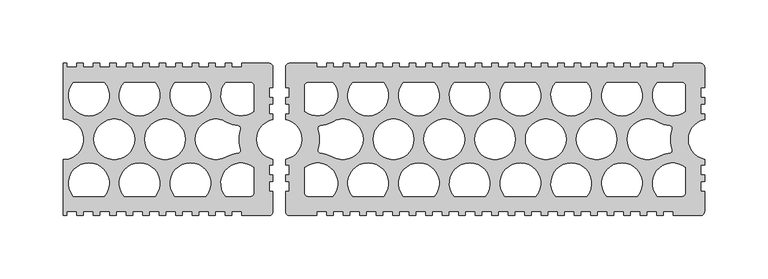
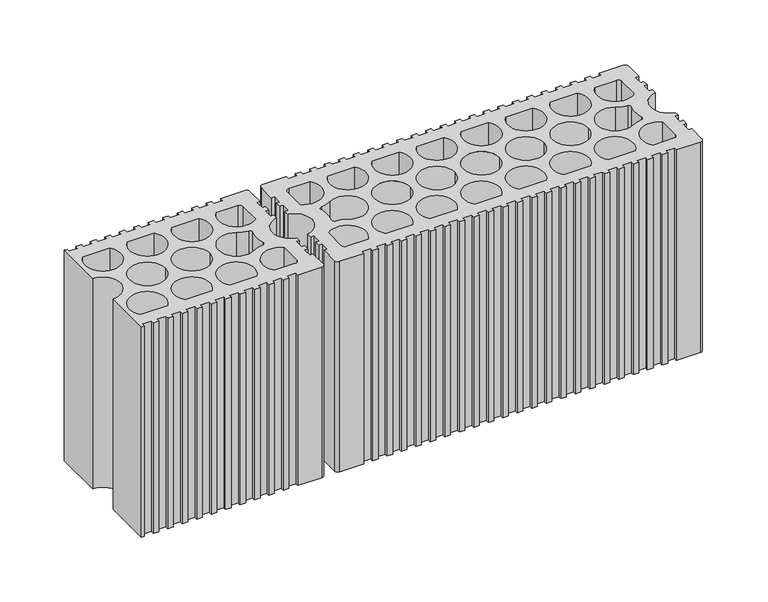
"""IFC4 building model written with IfcOpenShell, lengths in millimetres: plate geometry."""

from ifc_helpers import new_model, si_unit, point, frame_2d, origin, origin_with_axes, place, context, project, spatial, polyline, circle_curve, trimmed, segment, composite_curve, outline, extrude, source, transform, mapped, element, save


def plate_2e46a510(model_context):
    return source(origin(), model_context, "Body", "SweptSolid", [
        extrude(outline(composite_curve([segment(polyline([(-92.9997277, -59.9998788), (-114.4998028, -59.9998788), (-114.4998028, -56.9998848), (-122.499773, -56.9998848), (-122.499773, -59.9998788), (-127.499788, -59.9998788), (-127.499788, -56.9998848), (-135.4997582, -56.9998848), (-135.4997582, -59.9998788), (-140.4997434, -59.9998788), (-140.4997434, -56.9998848), (-148.4997434, -56.9998848), (-148.4997434, -59.9998788), (-153.4997285, -59.9998788), (-153.4997285, -56.9998848), (-161.4996988, -56.9998848), (-161.4996988, -59.9998788), (-166.4996839, -59.9998788), (-166.4996839, -56.9998848), (-174.499684, -56.9998848), (-174.499684, -59.9998788), (-179.4996691, -59.9998788), (-179.4996691, -56.9998848), (-187.4996542, -56.9998848), (-187.4996542, -59.9998788), (-192.4996394, -59.9998788), (-192.4996394, -56.9998848), (-200.4996245, -56.9998848), (-200.4996245, -59.9998788), (-205.4996246, -59.9998788), (-205.4996246, -56.9998848), (-213.4996097, -56.9998848), (-213.4996097, -59.9998788), (-218.4995948, -59.9998788), (-218.4995948, -56.9998848), (-226.49958, -56.9998848), (-226.49958, -59.9998788), (-231.4995651, -59.9998788), (-231.4995651, -56.9998848), (-239.4995503, -56.9998848), (-239.4995503, -59.9998788), (-244.4995354, -59.9998788), (-244.4995354, -56.9998848), (-252.4995205, -56.9998848), (-252.4995205, -59.9998788), (-254.9995197, -59.9998788), (-254.9995197, -15.9999677)]), True, "CONTINUOUS"), segment(trimmed(circle_curve(frame_2d((-254.9995197, 0.0)), 15.9999677), [point((-254.9995197, -15.9999677))], [point((-254.9995197, 15.9999677))], True, "CARTESIAN"), True, "CONTINUOUS"), segment(polyline([(-254.9995197, 15.9999677), (-254.9995197, 59.9998815), (-252.4995205, 59.9998815), (-252.4995205, 56.9998875), (-244.4995354, 56.9998875), (-244.4995354, 59.9998815), (-239.4995503, 59.9998815), (-239.4995503, 56.9998875), (-231.4995651, 56.9998875), (-231.4995651, 59.9998815), (-226.49958, 59.9998815), (-226.49958, 56.9998875), (-218.4995948, 56.9998875), (-218.4995948, 59.9998815), (-213.4996097, 59.9998815), (-213.4996097, 56.9998875), (-205.4996246, 56.9998875), (-205.4996246, 59.9998815), (-200.4996245, 59.9998815), (-200.4996245, 56.9998875), (-192.4996394, 56.9998875), (-192.4996394, 59.9998815), (-187.4996542, 59.9998815), (-187.4996542, 56.9998875), (-179.4996691, 56.9998875), (-179.4996691, 59.9998815), (-174.499684, 59.9998815), (-174.499684, 56.9998875), (-166.4996839, 56.9998875), (-166.4996839, 59.9998815), (-161.4996988, 59.9998815), (-161.4996988, 56.9998875), (-153.4997285, 56.9998875), (-153.4997285, 59.9998815), (-148.4997434, 59.9998815), (-148.4997434, 56.9998875), (-140.4997434, 56.9998875), (-140.4997434, 59.9998815), (-135.4997582, 59.9998815), (-135.4997582, 56.9998875), (-127.499788, 56.9998875), (-127.499788, 59.9998815), (-122.499773, 59.9998815), (-122.499773, 56.9998875), (-114.4998028, 56.9998875), (-114.4998028, 59.9998761), (-92.9998548, 59.9998761)]), True, "CONTINUOUS"), segment(trimmed(circle_curve(frame_2d((-92.9378077, 57.0619088)), 2.9386225), [point((-92.9998548, 59.9998761))], [point((-89.9998399, 56.9998835))], False, "CARTESIAN"), True, "CONTINUOUS"), segment(polyline([(-89.9998399, 56.9998835), (-89.9998399, 40.9999207), (-92.9998548, 40.9999207), (-92.9998548, 32.9999355), (-89.9998399, 32.9999355), (-89.9998399, 27.999943), (-92.9998548, 27.999943), (-92.9998548, 19.9999578), (-89.9998399, 19.9999578), (-89.9998399, 15.7162071)]), True, "CONTINUOUS"), segment(trimmed(circle_curve(frame_2d((-86.9998574, 1.4e-06)), 15.9999693), [point((-89.9998399, 15.7162071))], [point((-89.9998399, -15.7162044))], True, "CARTESIAN"), True, "CONTINUOUS"), segment(polyline([(-89.9998399, -15.7162044), (-89.9998399, -19.9999605), (-92.9998548, -19.9999605), (-92.9998548, -27.9999419), (-89.9998399, -27.9999419), (-89.9998399, -32.9999326), (-92.9998548, -32.9999326), (-92.9998548, -40.9999178), (-89.9998399, -40.9999178), (-89.9998399, -56.9998835)]), True, "CONTINUOUS"), segment(trimmed(circle_curve(frame_2d((-92.9378077, -57.0619088)), 2.9386225), [point((-89.9998399, -56.9998835))], [point((-92.9997277, -59.9998788))], False, "CARTESIAN"), True, "CONTINUOUS")], self_intersect=False), holes=[composite_curve([segment(trimmed(circle_curve(frame_2d((-234.9995568, -34.6228654)), 16.0116774), [point((-222.8056742, -44.9999094))], [point((-247.1934394, -44.9999094))], True, "CARTESIAN"), True, "CONTINUOUS"), segment(polyline([(-247.1934394, -44.9999094), (-222.8056742, -44.9999094)]), True, "CONTINUOUS")], self_intersect=False), composite_curve([segment(trimmed(circle_curve(frame_2d((-194.9996409, -34.6228654)), 16.0116774), [point((-182.8057583, -44.9999094))], [point((-207.1935235, -44.9999094))], True, "CARTESIAN"), True, "CONTINUOUS"), segment(polyline([(-207.1935235, -44.9999094), (-182.8057583, -44.9999094)]), True, "CONTINUOUS")], self_intersect=False), composite_curve([segment(trimmed(circle_curve(frame_2d((-154.999725, -34.6228654)), 16.0116774), [point((-142.8058424, -44.9999094))], [point((-167.1936076, -44.9999094))], True, "CARTESIAN"), True, "CONTINUOUS"), segment(polyline([(-167.1936076, -44.9999094), (-142.8058424, -44.9999094)]), True, "CONTINUOUS")], self_intersect=False), composite_curve([segment(trimmed(circle_curve(frame_2d((-214.9996005, 0.0)), 15.9999677), [point((-230.9995682, 0.0))], [point((-198.9996328, 0.0))], True, "CARTESIAN"), True, "CONTINUOUS"), segment(trimmed(circle_curve(frame_2d((-214.9996005, 0.0)), 15.9999677), [point((-198.9996328, 0.0))], [point((-230.9995682, 0.0))], True, "CARTESIAN"), True, "CONTINUOUS")], self_intersect=False), composite_curve([segment(trimmed(circle_curve(frame_2d((-174.9996813, 0.0)), 15.9999677), [point((-190.999649, 0.0))], [point((-158.9997136, 0.0))], True, "CARTESIAN"), True, "CONTINUOUS"), segment(trimmed(circle_curve(frame_2d((-174.9996813, 0.0)), 15.9999677), [point((-158.9997136, 0.0))], [point((-190.999649, 0.0))], True, "CARTESIAN"), True, "CONTINUOUS")], self_intersect=False), composite_curve([segment(trimmed(circle_curve(frame_2d((-154.999725, 34.6228681)), 16.0116774), [point((-167.1936076, 44.9999121))], [point((-142.8058424, 44.9999121))], True, "CARTESIAN"), True, "CONTINUOUS"), segment(polyline([(-142.8058424, 44.9999121), (-167.1936076, 44.9999121)]), True, "CONTINUOUS")], self_intersect=False), composite_curve([segment(polyline([(-182.8057583, 44.9999121), (-207.1935235, 44.9999121)]), True, "CONTINUOUS"), segment(trimmed(circle_curve(frame_2d((-194.9996409, 34.6228681)), 16.0116774), [point((-207.1935235, 44.9999121))], [point((-182.8057583, 44.9999121))], True, "CARTESIAN"), True, "CONTINUOUS")], self_intersect=False), composite_curve([segment(trimmed(circle_curve(frame_2d((-234.9995568, 34.6228681)), 16.0116774), [point((-247.1934394, 44.9999121))], [point((-222.8056742, 44.9999121))], True, "CARTESIAN"), True, "CONTINUOUS"), segment(polyline([(-222.8056742, 44.9999121), (-247.1934394, 44.9999121)]), True, "CONTINUOUS")], self_intersect=False), composite_curve([segment(trimmed(circle_curve(frame_2d((-86.9998591, 0.0)), 29.9999394), [point((-115.8460949, -8.2396021))], [point((-115.8460949, 8.2396021))], False, "CARTESIAN"), True, "CONTINUOUS"), segment(trimmed(circle_curve(frame_2d((-117.7691773, 8.7889089)), 1.999996), [point((-115.8460949, 8.2396021))], [point((-117.5561484, 10.7775271))], True, "CARTESIAN"), True, "CONTINUOUS"), segment(trimmed(circle_curve(frame_2d((-114.9998025, 34.6409462)), 23.9999515), [point((-117.5561484, 10.7775271))], [point((-126.9997783, 13.8563785))], False, "CARTESIAN"), True, "CONTINUOUS"), segment(trimmed(circle_curve(frame_2d((-134.9997621, 0.0)), 15.9999677), [point((-126.9997783, 13.8563785))], [point((-126.9997783, -13.8563785))], True, "CARTESIAN"), True, "CONTINUOUS"), segment(trimmed(circle_curve(frame_2d((-114.9998025, -34.6409462)), 23.9999515), [point((-126.9997783, -13.8563785))], [point((-117.5561484, -10.7775271))], False, "CARTESIAN"), True, "CONTINUOUS"), segment(trimmed(circle_curve(frame_2d((-117.7691773, -8.7889089)), 1.999996), [point((-117.5561484, -10.7775271))], [point((-115.8460949, -8.2396021))], True, "CARTESIAN"), True, "CONTINUOUS")], self_intersect=False), composite_curve([segment(trimmed(circle_curve(frame_2d((-115.0005563, 34.6402158)), 15.9998667), [point((-127.1936889, 44.9999094))], [point((-104.9998251, 22.150976))], True, "CARTESIAN"), True, "CONTINUOUS"), segment(polyline([(-104.9998251, 22.150976), (-104.9998251, 41.999919)]), True, "CONTINUOUS"), segment(trimmed(circle_curve(frame_2d((-107.9998155, 41.999919)), 2.9999904), [point((-104.9998251, 41.999919))], [point((-107.9998155, 44.9999094))], True, "CARTESIAN"), True, "CONTINUOUS"), segment(polyline([(-107.9998155, 44.9999094), (-127.1936889, 44.9999094)]), True, "CONTINUOUS")], self_intersect=False), composite_curve([segment(trimmed(circle_curve(frame_2d((-115.0005563, -34.6402158)), 15.9998667), [point((-104.9998251, -22.150976))], [point((-127.1936889, -44.9999094))], True, "CARTESIAN"), True, "CONTINUOUS"), segment(polyline([(-127.1936889, -44.9999094), (-107.9998155, -44.9999094)]), True, "CONTINUOUS"), segment(trimmed(circle_curve(frame_2d((-107.9998155, -41.999919)), 2.9999904), [point((-107.9998155, -44.9999094))], [point((-104.9998251, -41.999919))], True, "CARTESIAN"), True, "CONTINUOUS"), segment(polyline([(-104.9998251, -41.999919), (-104.9998251, -22.150976)]), True, "CONTINUOUS")], self_intersect=False)]), origin_with_axes(), (0.0, 0.0, 1.0), 200.0),
        extrude(outline(composite_curve([segment(trimmed(circle_curve(frame_2d((-77.0618721, -57.0619088)), 2.9386225), [point((-76.9999521, -59.9998788))], [point((-79.9998399, -56.9998835))], False, "CARTESIAN"), True, "CONTINUOUS"), segment(polyline([(-79.9998399, -56.9998835), (-79.9998399, -40.9999178), (-76.999825, -40.9999178), (-76.999825, -32.9999326), (-79.9998399, -32.9999326), (-79.9998399, -28.0000895), (-76.999825, -28.0000895), (-76.999825, -19.9999605), (-79.9998399, -19.9999605), (-79.9998399, -15.7162044)]), True, "CONTINUOUS"), segment(trimmed(circle_curve(frame_2d((-82.9998224, 1.4e-06)), 15.9999693), [point((-79.9998399, -15.7162044))], [point((-79.9998399, 15.7162071))], True, "CARTESIAN"), True, "CONTINUOUS"), segment(polyline([(-79.9998399, 15.7162071), (-79.9998399, 19.9999578), (-76.999825, 19.9999578), (-76.999825, 27.999943), (-79.9998399, 27.999943), (-79.9998399, 32.9999355), (-76.999825, 32.9999355), (-76.999825, 40.9999207), (-79.9998399, 40.9999207), (-79.9998399, 56.9998835)]), True, "CONTINUOUS"), segment(trimmed(circle_curve(frame_2d((-77.0618721, 57.0619088)), 2.9386225), [point((-79.9998399, 56.9998835))], [point((-76.999825, 59.9998761))], False, "CARTESIAN"), True, "CONTINUOUS"), segment(polyline([(-76.999825, 59.9998761), (-55.4998769, 59.9998761), (-55.4998769, 56.9998875), (-47.4998936, 56.9998875), (-47.4998936, 59.9998815), (-42.499901, 59.9998815), (-42.499901, 56.9998875), (-34.4999196, 56.9998875), (-34.4999196, 59.9998815), (-29.499927, 59.9998815), (-29.499927, 56.9998875), (-21.4999456, 56.9998875), (-21.4999456, 59.9998815), (-16.499953, 59.9998815), (-16.499953, 56.9998875), (-8.4999679, 56.9998875), (-8.4999679, 59.9998815), (-3.4999828, 59.9998815), (-3.4999828, 56.9998875), (4.5000024, 56.9998875), (4.5000024, 59.9998815), (9.499995, 59.9998815), (9.499995, 56.9998875), (17.4999727, 56.9998875), (17.4999727, 59.9998815), (22.4999653, 59.9998815), (22.4999653, 56.9998875), (30.4999504, 56.9998875), (30.4999504, 59.9998815), (35.499943, 59.9998815), (35.499943, 56.9998875), (43.4999207, 56.9998875), (43.4999207, 59.9998815), (48.4999133, 59.9998815), (48.4999133, 56.9998875), (56.4998984, 56.9998875), (56.4998984, 59.9998815), (61.4998836, 59.9998815), (61.4998836, 56.9998875), (69.4998687, 56.9998875), (69.4998687, 59.9998815), (74.4998538, 59.9998815), (74.4998538, 56.9998875), (82.499839, 56.9998875), (82.499839, 59.9998815), (87.499839, 59.9998815), (87.499839, 56.9998875), (95.4998242, 56.9998875), (95.4998242, 59.9998815), (100.4998093, 59.9998815), (100.4998093, 56.9998875), (108.4997944, 56.9998875), (108.4997944, 59.9998815), (113.4997796, 59.9998815), (113.4997796, 56.9998875), (121.4997647, 56.9998875), (121.4997647, 59.9998815), (126.4997499, 59.9998815), (126.4997499, 56.9998875), (134.499735, 56.9998875), (134.499735, 59.9998815), (139.499735, 59.9998815), (139.499735, 56.9998875), (147.4997202, 56.9998875), (147.4997202, 59.9998815), (152.4997053, 59.9998815), (152.4997053, 56.9998875), (160.4996905, 56.9998875), (160.4996905, 59.9998815), (165.4996756, 59.9998815), (165.4996756, 56.9998875), (173.4996756, 56.9998875), (173.4996756, 59.9998815), (178.4996608, 59.9998815), (178.4996608, 56.9998875), (186.499631, 56.9998875), (186.499631, 59.9998815), (191.4996162, 59.9998815), (191.4996162, 56.9998875), (199.4996162, 56.9998875), (199.4996162, 59.9998815), (204.4996013, 59.9998815), (204.4996013, 56.9998875), (212.4995716, 56.9998875), (212.4995716, 59.9998815), (217.4995865, 59.9998815), (217.4995865, 56.9998875), (225.4995568, 56.9998875), (225.4995568, 59.9998761), (246.9995048, 59.9998761)]), True, "CONTINUOUS"), segment(trimmed(circle_curve(frame_2d((247.0615519, 57.0619088)), 2.9386225), [point((246.9995048, 59.9998761))], [point((249.9995197, 56.9998835))], False, "CARTESIAN"), True, "CONTINUOUS"), segment(polyline([(249.9995197, 56.9998835), (249.9995197, 40.9999207), (246.9995048, 40.9999207), (246.9995048, 32.9999355), (249.9995197, 32.9999355), (249.9995197, 27.999943), (246.9995048, 27.999943), (246.9995048, 19.9999578), (249.9995197, 19.9999578), (249.9995197, 15.7162071)]), True, "CONTINUOUS"), segment(trimmed(circle_curve(frame_2d((252.9995021, 1.4e-06)), 15.9999693), [point((249.9995197, 15.7162071))], [point((249.9995197, -15.7162044))], True, "CARTESIAN"), True, "CONTINUOUS"), segment(polyline([(249.9995197, -15.7162044), (249.9995197, -19.9999605), (246.9995048, -19.9999605), (246.9995048, -27.9999419), (249.9995197, -27.9999419), (249.9995197, -32.9999326), (246.9995048, -32.9999326), (246.9995048, -40.9999178), (249.9995197, -40.9999178), (249.9995197, -56.9998835)]), True, "CONTINUOUS"), segment(trimmed(circle_curve(frame_2d((247.0615519, -57.0619088)), 2.9386225), [point((249.9995197, -56.9998835))], [point((246.9996319, -59.9998788))], False, "CARTESIAN"), True, "CONTINUOUS"), segment(polyline([(246.9996319, -59.9998788), (225.4995568, -59.9998788), (225.4995568, -56.9998848), (217.4995865, -56.9998848), (217.4995865, -59.9998788), (212.4995716, -59.9998788), (212.4995716, -56.9998848), (204.4996013, -56.9998848), (204.4996013, -59.9998788), (199.4996162, -59.9998788), (199.4996162, -56.9998848), (191.4996162, -56.9998848), (191.4996162, -59.9998788), (186.499631, -59.9998788), (186.499631, -56.9998848), (178.4996608, -56.9998848), (178.4996608, -59.9998788), (173.4996756, -59.9998788), (173.4996756, -56.9998848), (165.4996756, -56.9998848), (165.4996756, -59.9998788), (160.4996905, -59.9998788), (160.4996905, -56.9998848), (152.4997053, -56.9998848), (152.4997053, -59.9998788), (147.4997202, -59.9998788), (147.4997202, -56.9998848), (139.499735, -56.9998848), (139.499735, -59.9998788), (134.499735, -59.9998788), (134.499735, -56.9998848), (126.4997499, -56.9998848), (126.4997499, -59.9998788), (121.4997647, -59.9998788), (121.4997647, -56.9998848), (113.4997796, -56.9998848), (113.4997796, -59.9998788), (108.4997944, -59.9998788), (108.4997944, -56.9998848), (100.4998093, -56.9998848), (100.4998093, -59.9998788), (95.4998242, -59.9998788), (95.4998242, -56.9998848), (87.499839, -56.9998848), (87.499839, -59.9998788), (82.499839, -59.9998788), (82.499839, -56.9998848), (74.4998538, -56.9998848), (74.4998538, -59.9998788), (69.4998687, -59.9998788), (69.4998687, -56.9998848), (61.4998836, -56.9998848), (61.4998836, -59.9998788), (56.4998984, -59.9998788), (56.4998984, -56.9998848), (48.4999133, -56.9998848), (48.4999133, -59.9998788), (43.4999207, -59.9998788), (43.4999207, -56.9998848), (35.499943, -56.9998848), (35.499943, -59.9998788), (30.4999504, -59.9998788), (30.4999504, -56.9998848), (22.4999653, -56.9998848), (22.4999653, -59.9998788), (17.4999727, -59.9998788), (17.4999727, -56.9998848), (9.499995, -56.9998848), (9.499995, -59.9998788), (4.5000024, -59.9998788), (4.5000024, -56.9998848), (-3.4999828, -56.9998848), (-3.4999828, -59.9998788), (-8.4999679, -59.9998788), (-8.4999679, -56.9998848), (-16.499953, -56.9998848), (-16.499953, -59.9998788), (-21.4999456, -59.9998788), (-21.4999456, -56.9998848), (-29.499927, -56.9998848), (-29.499927, -59.9998788), (-34.4999196, -59.9998788), (-34.4999196, -56.9998848), (-42.499901, -56.9998848), (-42.499901, -59.9998788), (-47.4998936, -59.9998788), (-47.4998936, -56.9998848), (-55.4998769, -56.9998848), (-55.4998769, -59.9998788), (-76.9999521, -59.9998788)]), True, "CONTINUOUS")], self_intersect=False), holes=[composite_curve([segment(trimmed(circle_curve(frame_2d((-52.2305025, -8.7889089)), 1.999996), [point((-54.1535849, -8.2396021))], [point((-52.4435313, -10.7775271))], True, "CARTESIAN"), True, "CONTINUOUS"), segment(trimmed(circle_curve(frame_2d((-54.9998773, -34.6409462)), 23.9999515), [point((-52.4435313, -10.7775271))], [point((-42.9999015, -13.8563785))], False, "CARTESIAN"), True, "CONTINUOUS"), segment(trimmed(circle_curve(frame_2d((-34.9999177, 0.0)), 15.9999677), [point((-42.9999015, -13.8563785))], [point((-42.9999015, 13.8563785))], True, "CARTESIAN"), True, "CONTINUOUS"), segment(trimmed(circle_curve(frame_2d((-54.9998773, 34.6409462)), 23.9999515), [point((-42.9999015, 13.8563785))], [point((-52.4435313, 10.7775271))], False, "CARTESIAN"), True, "CONTINUOUS"), segment(trimmed(circle_curve(frame_2d((-52.2305025, 8.7889089)), 1.999996), [point((-52.4435313, 10.7775271))], [point((-54.1535849, 8.2396021))], True, "CARTESIAN"), True, "CONTINUOUS"), segment(trimmed(circle_curve(frame_2d((-82.9998207, 0.0)), 29.9999394), [point((-54.1535849, 8.2396021))], [point((-54.1535849, -8.2396021))], False, "CARTESIAN"), True, "CONTINUOUS")], self_intersect=False), composite_curve([segment(polyline([(-42.8059908, 44.9999094), (-61.9998643, 44.9999094)]), True, "CONTINUOUS"), segment(trimmed(circle_curve(frame_2d((-61.9998643, 41.999919)), 2.9999904), [point((-61.9998643, 44.9999094))], [point((-64.9998547, 41.999919))], True, "CARTESIAN"), True, "CONTINUOUS"), segment(polyline([(-64.9998547, 41.999919), (-64.9998547, 22.150976)]), True, "CONTINUOUS"), segment(trimmed(circle_curve(frame_2d((-54.9991235, 34.6402158)), 15.9998667), [point((-64.9998547, 22.150976))], [point((-42.8059908, 44.9999094))], True, "CARTESIAN"), True, "CONTINUOUS")], self_intersect=False), composite_curve([segment(polyline([(-64.9998547, -22.150976), (-64.9998547, -41.999919)]), True, "CONTINUOUS"), segment(trimmed(circle_curve(frame_2d((-61.9998643, -41.999919)), 2.9999904), [point((-64.9998547, -41.999919))], [point((-61.9998643, -44.9999094))], True, "CARTESIAN"), True, "CONTINUOUS"), segment(polyline([(-61.9998643, -44.9999094), (-42.8059908, -44.9999094)]), True, "CONTINUOUS"), segment(trimmed(circle_curve(frame_2d((-54.9991235, -34.6402158)), 15.9998667), [point((-42.8059908, -44.9999094))], [point((-64.9998547, -22.150976))], True, "CARTESIAN"), True, "CONTINUOUS")], self_intersect=False), composite_curve([segment(trimmed(circle_curve(frame_2d((-14.9999449, -34.6228654)), 16.0116774), [point((-2.8060623, -44.9999094))], [point((-27.1938275, -44.9999094))], True, "CARTESIAN"), True, "CONTINUOUS"), segment(polyline([(-27.1938275, -44.9999094), (-2.8060623, -44.9999094)]), True, "CONTINUOUS")], self_intersect=False), composite_curve([segment(trimmed(circle_curve(frame_2d((24.999971, -34.6228654)), 16.0116774), [point((37.1938536, -44.9999094))], [point((12.8060884, -44.9999094))], True, "CARTESIAN"), True, "CONTINUOUS"), segment(polyline([(12.8060884, -44.9999094), (37.1938536, -44.9999094)]), True, "CONTINUOUS")], self_intersect=False), composite_curve([segment(trimmed(circle_curve(frame_2d((64.9998869, -34.6228654)), 16.0116774), [point((77.1937695, -44.9999094))], [point((52.8060043, -44.9999094))], True, "CARTESIAN"), True, "CONTINUOUS"), segment(polyline([(52.8060043, -44.9999094), (77.1937695, -44.9999094)]), True, "CONTINUOUS")], self_intersect=False), composite_curve([segment(trimmed(circle_curve(frame_2d((104.9998028, -34.6228654)), 16.0116774), [point((117.1936854, -44.9999094))], [point((92.8059202, -44.9999094))], True, "CARTESIAN"), True, "CONTINUOUS"), segment(polyline([(92.8059202, -44.9999094), (117.1936854, -44.9999094)]), True, "CONTINUOUS")], self_intersect=False), composite_curve([segment(trimmed(circle_curve(frame_2d((144.9997187, -34.6228654)), 16.0116774), [point((157.1936013, -44.9999094))], [point((132.8058361, -44.9999094))], True, "CARTESIAN"), True, "CONTINUOUS"), segment(polyline([(132.8058361, -44.9999094), (157.1936013, -44.9999094)]), True, "CONTINUOUS")], self_intersect=False), composite_curve([segment(trimmed(circle_curve(frame_2d((184.9996346, -34.6228654)), 16.0116774), [point((197.1935172, -44.9999094))], [point((172.805752, -44.9999094))], True, "CARTESIAN"), True, "CONTINUOUS"), segment(polyline([(172.805752, -44.9999094), (197.1935172, -44.9999094)]), True, "CONTINUOUS")], self_intersect=False), composite_curve([segment(trimmed(circle_curve(frame_2d((5.0000015, 0.0)), 15.9999677), [point((-10.9999662, 0.0))], [point((20.9999692, 0.0))], True, "CARTESIAN"), True, "CONTINUOUS"), segment(trimmed(circle_curve(frame_2d((5.0000015, 0.0)), 15.9999677), [point((20.9999692, 0.0))], [point((-10.9999662, 0.0))], True, "CARTESIAN"), True, "CONTINUOUS")], self_intersect=False), composite_curve([segment(trimmed(circle_curve(frame_2d((44.9999207, 0.0)), 15.9999677), [point((28.999953, 0.0))], [point((60.9998884, 0.0))], True, "CARTESIAN"), True, "CONTINUOUS"), segment(trimmed(circle_curve(frame_2d((44.9999207, 0.0)), 15.9999677), [point((60.9998884, 0.0))], [point((28.999953, 0.0))], True, "CARTESIAN"), True, "CONTINUOUS")], self_intersect=False), composite_curve([segment(trimmed(circle_curve(frame_2d((84.9998399, 0.0)), 15.9999677), [point((68.9998722, 0.0))], [point((100.9998076, 0.0))], True, "CARTESIAN"), True, "CONTINUOUS"), segment(trimmed(circle_curve(frame_2d((84.9998399, 0.0)), 15.9999677), [point((100.9998076, 0.0))], [point((68.9998722, 0.0))], True, "CARTESIAN"), True, "CONTINUOUS")], self_intersect=False), composite_curve([segment(trimmed(circle_curve(frame_2d((124.9997591, 0.0)), 15.9999677), [point((108.9997914, 0.0))], [point((140.9997268, 0.0))], True, "CARTESIAN"), True, "CONTINUOUS"), segment(trimmed(circle_curve(frame_2d((124.9997591, 0.0)), 15.9999677), [point((140.9997268, 0.0))], [point((108.9997914, 0.0))], True, "CARTESIAN"), True, "CONTINUOUS")], self_intersect=False), composite_curve([segment(trimmed(circle_curve(frame_2d((164.9996783, 0.0)), 15.9999677), [point((148.9997106, 0.0))], [point((180.999646, 0.0))], True, "CARTESIAN"), True, "CONTINUOUS"), segment(trimmed(circle_curve(frame_2d((164.9996783, 0.0)), 15.9999677), [point((180.999646, 0.0))], [point((148.9997106, 0.0))], True, "CARTESIAN"), True, "CONTINUOUS")], self_intersect=False), composite_curve([segment(trimmed(circle_curve(frame_2d((184.9996346, 34.6228681)), 16.0116774), [point((172.805752, 44.9999121))], [point((197.1935172, 44.9999121))], True, "CARTESIAN"), True, "CONTINUOUS"), segment(polyline([(197.1935172, 44.9999121), (172.805752, 44.9999121)]), True, "CONTINUOUS")], self_intersect=False), composite_curve([segment(polyline([(157.1936013, 44.9999121), (132.8058361, 44.9999121)]), True, "CONTINUOUS"), segment(trimmed(circle_curve(frame_2d((144.9997187, 34.6228681)), 16.0116774), [point((132.8058361, 44.9999121))], [point((157.1936013, 44.9999121))], True, "CARTESIAN"), True, "CONTINUOUS")], self_intersect=False), composite_curve([segment(trimmed(circle_curve(frame_2d((104.9998028, 34.6228681)), 16.0116774), [point((92.8059202, 44.9999121))], [point((117.1936854, 44.9999121))], True, "CARTESIAN"), True, "CONTINUOUS"), segment(polyline([(117.1936854, 44.9999121), (92.8059202, 44.9999121)]), True, "CONTINUOUS")], self_intersect=False), composite_curve([segment(polyline([(77.1937695, 44.9999121), (52.8060043, 44.9999121)]), True, "CONTINUOUS"), segment(trimmed(circle_curve(frame_2d((64.9998869, 34.6228681)), 16.0116774), [point((52.8060043, 44.9999121))], [point((77.1937695, 44.9999121))], True, "CARTESIAN"), True, "CONTINUOUS")], self_intersect=False), composite_curve([segment(polyline([(37.1938536, 44.9999121), (12.8060884, 44.9999121)]), True, "CONTINUOUS"), segment(trimmed(circle_curve(frame_2d((24.999971, 34.6228681)), 16.0116774), [point((12.8060884, 44.9999121))], [point((37.1938536, 44.9999121))], True, "CARTESIAN"), True, "CONTINUOUS")], self_intersect=False), composite_curve([segment(polyline([(-2.8060623, 44.9999121), (-27.1938275, 44.9999121)]), True, "CONTINUOUS"), segment(trimmed(circle_curve(frame_2d((-14.9999449, 34.6228681)), 16.0116774), [point((-27.1938275, 44.9999121))], [point((-2.8060623, 44.9999121))], True, "CARTESIAN"), True, "CONTINUOUS")], self_intersect=False), composite_curve([segment(trimmed(circle_curve(frame_2d((252.9995005, 0.0)), 29.9999394), [point((224.1532647, -8.2396021))], [point((224.1532647, 8.2396021))], False, "CARTESIAN"), True, "CONTINUOUS"), segment(trimmed(circle_curve(frame_2d((222.2301823, 8.7889089)), 1.999996), [point((224.1532647, 8.2396021))], [point((222.4432111, 10.7775271))], True, "CARTESIAN"), True, "CONTINUOUS"), segment(trimmed(circle_curve(frame_2d((224.9995571, 34.6409462)), 23.9999515), [point((222.4432111, 10.7775271))], [point((212.9995813, 13.8563785))], False, "CARTESIAN"), True, "CONTINUOUS"), segment(trimmed(circle_curve(frame_2d((204.9995975, 0.0)), 15.9999677), [point((212.9995813, 13.8563785))], [point((212.9995813, -13.8563785))], True, "CARTESIAN"), True, "CONTINUOUS"), segment(trimmed(circle_curve(frame_2d((224.9995571, -34.6409462)), 23.9999515), [point((212.9995813, -13.8563785))], [point((222.4432111, -10.7775271))], False, "CARTESIAN"), True, "CONTINUOUS"), segment(trimmed(circle_curve(frame_2d((222.2301823, -8.7889089)), 1.999996), [point((222.4432111, -10.7775271))], [point((224.1532647, -8.2396021))], True, "CARTESIAN"), True, "CONTINUOUS")], self_intersect=False), composite_curve([segment(trimmed(circle_curve(frame_2d((224.9988032, 34.6402158)), 15.9998667), [point((212.8056706, 44.9999094))], [point((234.9995345, 22.150976))], True, "CARTESIAN"), True, "CONTINUOUS"), segment(polyline([(234.9995345, 22.150976), (234.9995345, 41.999919)]), True, "CONTINUOUS"), segment(trimmed(circle_curve(frame_2d((231.999544, 41.999919)), 2.9999904), [point((234.9995345, 41.999919))], [point((231.999544, 44.9999094))], True, "CARTESIAN"), True, "CONTINUOUS"), segment(polyline([(231.999544, 44.9999094), (212.8056706, 44.9999094)]), True, "CONTINUOUS")], self_intersect=False), composite_curve([segment(trimmed(circle_curve(frame_2d((224.9988032, -34.6402158)), 15.9998667), [point((234.9995345, -22.150976))], [point((212.8056706, -44.9999094))], True, "CARTESIAN"), True, "CONTINUOUS"), segment(polyline([(212.8056706, -44.9999094), (231.999544, -44.9999094)]), True, "CONTINUOUS"), segment(trimmed(circle_curve(frame_2d((231.999544, -41.999919)), 2.9999904), [point((231.999544, -44.9999094))], [point((234.9995345, -41.999919))], True, "CARTESIAN"), True, "CONTINUOUS"), segment(polyline([(234.9995345, -41.999919), (234.9995345, -22.150976)]), True, "CONTINUOUS")], self_intersect=False)]), origin_with_axes(), (0.0, 0.0, 1.0), 200.0),
    ])


if __name__ == "__main__":
    model = new_model("IFC4")
    model_context = context("Model", 3, world=origin())
    ifc_project = project(units=[si_unit("LENGTHUNIT", "METRE", prefix="MILLI")], contexts=[model_context])
    site = spatial("IfcSite", under=ifc_project)
    building = spatial("IfcBuilding", under=site)
    placement = place(None, origin())
    plate_shape = plate_2e46a510(model_context)
    element("IfcPlate", 1, at=placement, inside=building, context=model_context, shape_type="MappedRepresentation", body=[
        mapped(plate_shape, transform((0.0, 0.0, 0.0), x_axis=(1.0, 0.0, 0.0), y_axis=(0.0, 1.0, 0.0), z_axis=(0.0, 0.0, 1.0))),
    ])
    save(model, "model.ifc")
